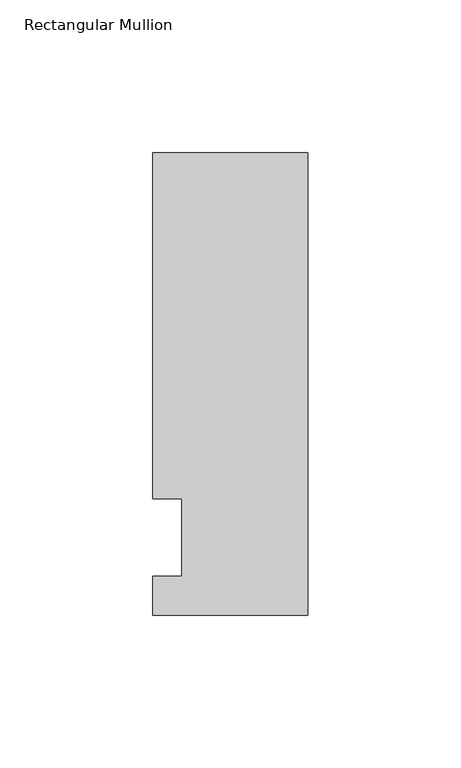
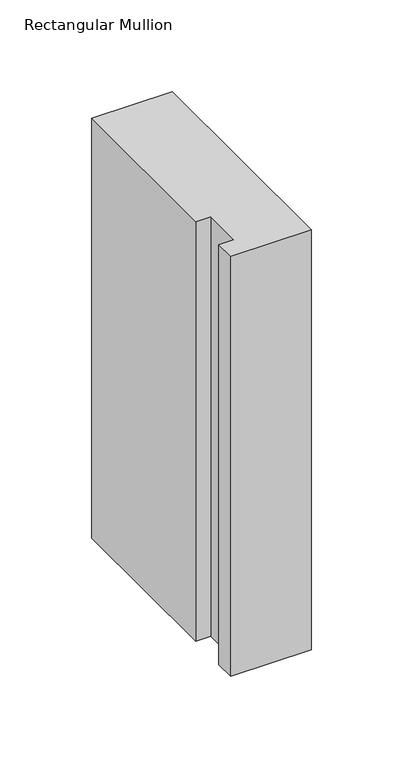
"""IFC4 building model written with IfcOpenShell, lengths in millimetres: member geometry, Rectangular Mullion."""

from ifc_helpers import new_model, si_unit, frame, origin, place, context, project, spatial, polyline, outline, extrude, source, transform, mapped, element, save


def rectangular_mullion_e8794e14(model_context):
    return source(origin(), model_context, "Body", "SweptSolid", [
        extrude(outline(polyline([(-50.8, -25.4508252), (-50.8, -12.7), (-41.275, -12.7), (-41.275, 12.7), (-50.8, 12.7), (-50.8, 125.8533), (0.0, 125.8533), (0.0, -25.4508252), (-50.8, -25.4508252)])), frame((0.0, 0.0, -279.4), z_axis=(0.0, 0.0, 1.0), x_axis=(1.0, 0.0, 0.0)), (0.0, 0.0, 1.0), 279.4),
    ])


if __name__ == "__main__":
    model = new_model("IFC4")
    model_context = context("Model", 3, world=origin())
    ifc_project = project(units=[si_unit("LENGTHUNIT", "METRE", prefix="MILLI")], contexts=[model_context])
    site = spatial("IfcSite", under=ifc_project)
    building = spatial("IfcBuilding", under=site)
    placement = place(None, origin())
    rectangular_mullion_shape = rectangular_mullion_e8794e14(model_context)
    element("IfcMember", 1, ObjectType="Rectangular Mullion", at=placement, inside=building, context=model_context, shape_type="MappedRepresentation", body=[
        mapped(rectangular_mullion_shape, transform((0.0, 0.0, 0.0), x_axis=(1.0, 0.0, 0.0), y_axis=(0.0, 1.0, 0.0), z_axis=(0.0, 0.0, 1.0))),
    ])
    save(model, "model.ifc")
